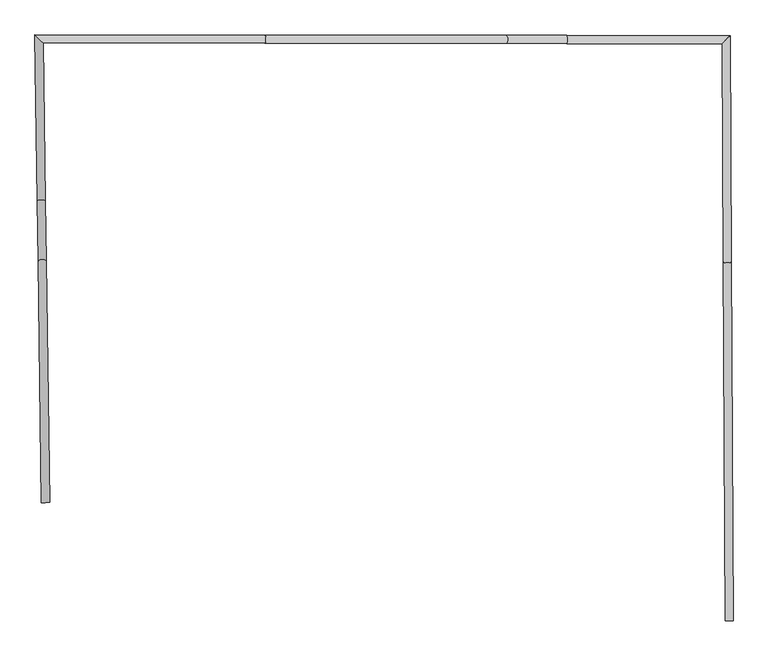
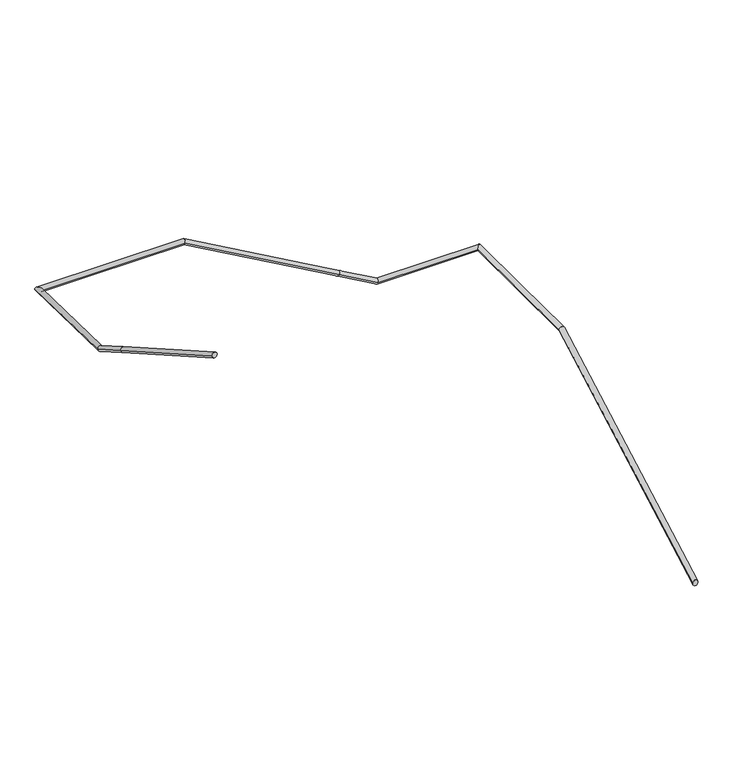
"""IFC4 building model written with IfcOpenShell, lengths in millimetres: railing geometry."""

from ifc_helpers import new_model, si_unit, frame, origin, place, context, project, spatial, circle_curve, ellipse_curve, source, transform, mapped, element, save
from ifc_brep_helpers import plane_surface, cylinder_surface, advanced_brep


def railing_2186e88e(model_context):
    return source(origin(), model_context, "Body", "AdvancedBrep", [
        advanced_brep(
        [(56404.4854153, -15280.3383507, -4450.5610352), (56364.485906, -15280.5364922, -4450.5610352), (56395.6517345, -13497.0526843, -3442.1666667), (56355.6522252, -13497.2508258, -3442.1666667), (56390.0845945, -12373.1949021, -3442.1666667), (56350.2820588, -12413.156763, -3442.1666667), (55577.0429911, -12372.4154632, -3442.1666667), (55577.0046443, -12412.4154448, -3442.1666667), (55277.043129, -12372.1278622, -3272.5277778), (55277.0047822, -12412.1278438, -3272.5277778), (54077.0436804, -12370.9774583, -2593.9722222), (54077.0053336, -12410.9774399, -2593.9722222), (52934.3051268, -12369.8819487, -2593.9722222), (52974.8729567, -12409.9208582, -2593.9722222), (52945.9166731, -13194.3964457, -2593.9722222), (52985.9127072, -13193.833186, -2593.9722222), (52950.141121, -13494.3667009, -2424.3333333), (52990.137155, -13493.8034412, -2424.3333333), (52967.0389125, -14694.247722, -1745.7777778), (53007.0349465, -14693.6844622, -1745.7777778)],
        [
            (0, 1, ellipse_curve(frame((56384.4856606, -15280.4374214, -4450.5610352), z_axis=(0.004953537484172592, -0.9999877311579343, 0.0), x_axis=(0.0, 0.0, -1.0)), 22.9760603, 20.0)),
            (1, 0, ellipse_curve(frame((56384.4856606, -15280.4374214, -4450.5610352), z_axis=(0.004953537484172592, -0.9999877311579343, 0.0), x_axis=(0.0, 0.0, -1.0)), 22.9760603, 20.0)),
            (0, 2),
            (2, 3, ellipse_curve(frame((56375.6519799, -13497.1517551, -3442.1666667), z_axis=(0.004790446287776269, -0.9670639477047357, -0.25448845292880434), x_axis=(-0.001260618090871954, 0.2544853306501684, -0.9670758126051461)), 20.6809019, 20.0)),
            (3, 1),
            (3, 2, ellipse_curve(frame((56375.6519799, -13497.1517551, -3442.1666667), z_axis=(0.004790446287776269, -0.9670639477047357, -0.25448845292880434), x_axis=(-0.001260618090871954, 0.2544853306501684, -0.9670758126051461)), 20.6809019, 20.0)),
            (2, 4),
            (4, 5, ellipse_curve(frame((56370.1833267, -12393.1758325, -3442.1666667), z_axis=(0.7085177757188478, -0.7056929654534022, 0.0), x_axis=(-0.7056929654534023, -0.7085177757188476, 0.0)), 28.2010291, 20.0)),
            (5, 3),
            (5, 4, ellipse_curve(frame((56370.1833267, -12393.1758325, -3442.1666667), z_axis=(0.7085177757188478, -0.7056929654534022, 0.0), x_axis=(-0.7056929654534023, -0.7085177757188476, 0.0)), 28.2010291, 20.0)),
            (4, 6),
            (6, 7, ellipse_curve(frame((55577.0238177, -12392.415454, -3442.1666667), z_axis=(0.9670753682104628, -0.0009271065214042583, -0.25448845292880357), x_axis=(0.2544883359852153, -0.00024397043257951177, 0.9670758126051463)), 20.6809019, 20.0)),
            (7, 5),
            (7, 6, ellipse_curve(frame((55577.0238177, -12392.415454, -3442.1666667), z_axis=(0.9670753682104628, -0.0009271065214042583, -0.25448845292880357), x_axis=(0.2544883359852153, -0.00024397043257951177, 0.9670758126051463)), 20.6809019, 20.0)),
            (6, 8),
            (8, 9, circle_curve(frame((55277.0239556, -12392.127853, -3272.5277778), z_axis=(0.8704708546492514, -0.0008344946346110227, -0.4922192548294986), x_axis=(-0.0009586699505032227, -0.9999995404758575, 0.0)), 20.0)),
            (9, 7),
            (9, 8, circle_curve(frame((55277.0239556, -12392.127853, -3272.5277778), z_axis=(0.8704708546492514, -0.0008344946346110227, -0.4922192548294986), x_axis=(-0.0009586699505032227, -0.9999995404758575, 0.0)), 20.0)),
            (8, 10),
            (10, 11, ellipse_curve(frame((54077.024507, -12390.9774491, -2593.9722222), z_axis=(0.9670753682104627, -0.0009271065214075082, -0.25448845292880384), x_axis=(-0.2544883359852155, 0.00024397043257331873, -0.9670758126051462)), 20.6809019, 20.0)),
            (11, 9),
            (11, 10, ellipse_curve(frame((54077.024507, -12390.9774491, -2593.9722222), z_axis=(0.9670753682104627, -0.0009271065214075082, -0.25448845292880384), x_axis=(-0.2544883359852155, 0.00024397043257331873, -0.9670758126051462)), 20.6809019, 20.0)),
            (10, 12),
            (12, 13, ellipse_curve(frame((52954.5890418, -12389.9014034, -2593.9722222), z_axis=(0.7024518091931933, 0.7117313086841195, 0.0), x_axis=(0.7117313086841196, -0.7024518091931932, 0.0)), 28.4993996, 20.0)),
            (13, 11),
            (13, 12, ellipse_curve(frame((52954.5890418, -12389.9014034, -2593.9722222), z_axis=(0.7024518091931933, 0.7117313086841195, 0.0), x_axis=(0.7117313086841196, -0.7024518091931932, 0.0)), 28.4993996, 20.0)),
            (12, 14),
            (14, 15, ellipse_curve(frame((52965.9146901, -13194.1148158, -2593.9722222), z_axis=(-0.013617871181629305, 0.9669799278735751, -0.2544884529288042), x_axis=(-0.003583577341104854, 0.25446322061849364, 0.9670758126051462)), 20.6809019, 20.0)),
            (15, 13),
            (15, 14, ellipse_curve(frame((52965.9146901, -13194.1148158, -2593.9722222), z_axis=(-0.013617871181629305, 0.9669799278735751, -0.2544884529288042), x_axis=(-0.003583577341104854, 0.25446322061849364, 0.9670758126051462)), 20.6809019, 20.0)),
            (14, 16),
            (16, 17, circle_curve(frame((52970.139138, -13494.0850711, -2424.3333333), z_axis=(-0.012257534785437871, 0.8703849481787218, -0.4922192548294995), x_axis=(0.9999008508636847, 0.014081492892422519, 0.0)), 20.0)),
            (17, 15),
            (17, 16, circle_curve(frame((52970.139138, -13494.0850711, -2424.3333333), z_axis=(-0.012257534785437871, 0.8703849481787218, -0.4922192548294995), x_axis=(0.9999008508636847, 0.014081492892422519, 0.0)), 20.0)),
            (18, 19, ellipse_curve(frame((52987.0369295, -14693.9660921, -1745.7777778), z_axis=(0.014081492892414926, -0.9999008508636849, 0.0), x_axis=(0.0, 0.0, -0.9999999999999999)), 22.9760603, 20.0)),
            (19, 18, ellipse_curve(frame((52987.0369295, -14693.9660921, -1745.7777778), z_axis=(0.014081492892414926, -0.9999008508636849, 0.0), x_axis=(0.0, 0.0, -0.9999999999999999)), 22.9760603, 20.0)),
            (16, 18),
            (19, 17),
        ],
        [
            plane_surface(frame((56384.4856606, -15280.4374214, -4450.5610352), z_axis=(0.004953537484172592, -0.9999877311579343, 0.0), x_axis=(0.9999877311579343, 0.004953537484172592, 0.0))),
            cylinder_surface(frame((56384.4856606, -15280.4374214, -4450.5610352), z_axis=(0.004311911988812475, -0.8704605749774614, -0.4922192548294999), x_axis=(-0.9999877311579343, -0.004953537484172593, 0.0)), 20.0),
            cylinder_surface(frame((56375.6519799, -13497.1517551, -3442.1666667), z_axis=(0.0049535374841726066, -0.9999877311579342, 0.0), x_axis=(-0.9999877311579342, -0.0049535374841726066, 0.0)), 20.0),
            cylinder_surface(frame((56370.1833267, -12393.1758325, -3442.1666667), z_axis=(0.9999995404758574, -0.0009586699505060845, 0.0), x_axis=(-0.0009586699505060845, -0.9999995404758574, 0.0)), 20.0),
            cylinder_surface(frame((55577.0238177, -12392.415454, -3442.1666667), z_axis=(0.8704708546492514, -0.0008344946346110227, -0.4922192548294986), x_axis=(-0.0009586699505032227, -0.9999995404758575, 0.0)), 20.0),
            cylinder_surface(frame((55277.0239556, -12392.127853, -3272.5277778), z_axis=(0.8704708546492512, -0.0008344946346157417, -0.4922192548294991), x_axis=(-0.0009586699505073309, -0.9999995404758575, 0.0)), 20.0),
            cylinder_surface(frame((54077.024507, -12390.9774491, -2593.9722222), z_axis=(0.9999995404758575, -0.0009586699505076513, 0.0), x_axis=(-0.0009586699505076513, -0.9999995404758575, 0.0)), 20.0),
            cylinder_surface(frame((52954.5890418, -12389.9014034, -2593.9722222), z_axis=(-0.014081492892414857, 0.9999008508636849, 0.0), x_axis=(0.9999008508636849, 0.014081492892414857, 0.0)), 20.0),
            cylinder_surface(frame((52965.9146901, -13194.1148158, -2593.9722222), z_axis=(-0.012257534785437871, 0.8703849481787218, -0.4922192548294995), x_axis=(0.9999008508636847, 0.014081492892422519, 0.0)), 20.0),
            plane_surface(frame((52987.0369295, -14693.9660921, -1745.7777778), z_axis=(0.014081492892414926, -0.9999008508636849, 0.0), x_axis=(0.9999008508636849, 0.014081492892414926, 0.0))),
            cylinder_surface(frame((52970.139138, -13494.0850711, -2424.3333333), z_axis=(-0.012257534785431498, 0.8703849481787217, -0.49221925482949963), x_axis=(0.9999008508636849, 0.014081492892416971, 0.0)), 20.0),
        ],
        [
            (0, [[1, 2]]),
            (1, [[-1, 3, 4, 5]]),
            (1, [[-2, -5, 6, -3]]),
            (2, [[-4, 7, 8, 9]]),
            (2, [[-6, -9, 10, -7]]),
            (3, [[-8, 11, 12, 13]]),
            (3, [[-10, -13, 14, -11]]),
            (4, [[-12, 15, 16, 17]]),
            (4, [[-14, -17, 18, -15]]),
            (5, [[-16, 19, 20, 21]]),
            (5, [[-18, -21, 22, -19]]),
            (6, [[-20, 23, 24, 25]]),
            (6, [[-22, -25, 26, -23]]),
            (7, [[-24, 27, 28, 29]]),
            (7, [[-26, -29, 30, -27]]),
            (8, [[-28, 31, 32, 33]]),
            (8, [[-30, -33, 34, -31]]),
            (9, [[35, 36]]),
            (10, [[-32, 37, -36, 38]]),
            (10, [[-34, -38, -35, -37]]),
        ],
    ),
    ])


if __name__ == "__main__":
    model = new_model("IFC4")
    model_context = context("Model", 3, world=origin())
    ifc_project = project(units=[si_unit("LENGTHUNIT", "METRE", prefix="MILLI")], contexts=[model_context])
    site = spatial("IfcSite", under=ifc_project)
    building = spatial("IfcBuilding", under=site)
    placement = place(None, origin())
    railing_shape = railing_2186e88e(model_context)
    element("IfcRailing", 1, at=placement, inside=building, context=model_context, shape_type="MappedRepresentation", body=[
        mapped(railing_shape, transform((0.0, 0.0, 0.0), x_axis=(1.0, 0.0, 0.0), y_axis=(0.0, 1.0, 0.0), z_axis=(0.0, 0.0, 1.0))),
    ])
    save(model, "model.ifc")
